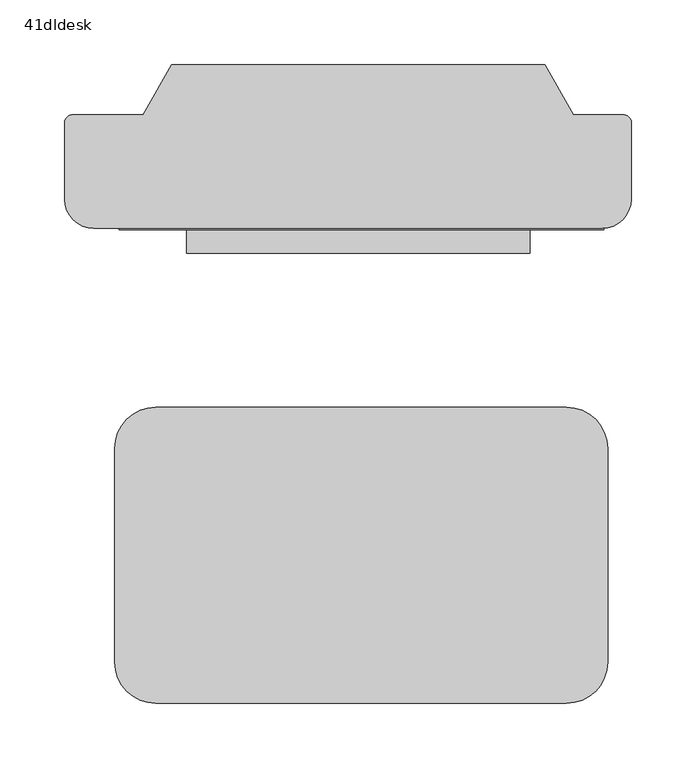
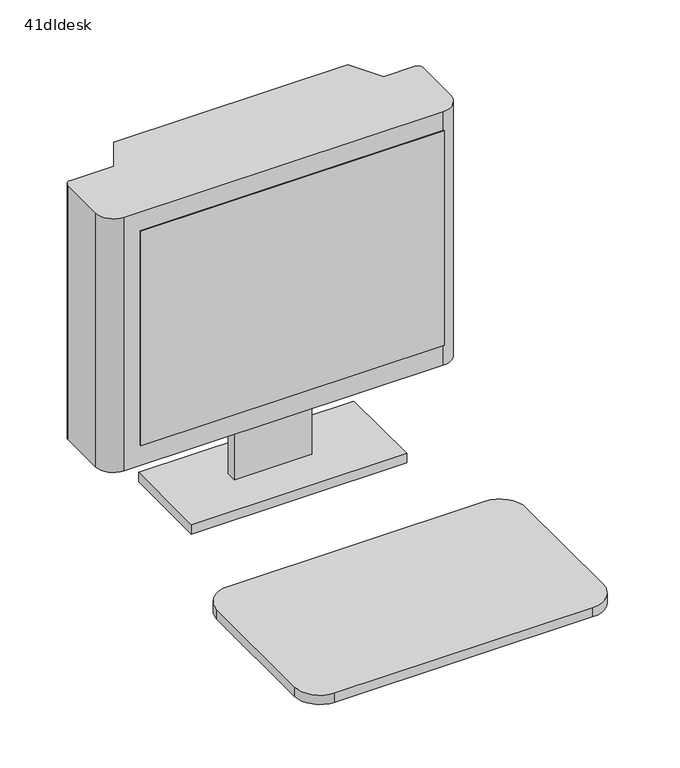
"""IFC4 building model written with IfcOpenShell, lengths in millimetres: proxy geometry, 41dldesk."""

from ifc_helpers import new_model, si_unit, point, frame, frame_2d, origin, place, context, project, spatial, polyline, circle_curve, trimmed, segment, composite_curve, outline, extrude, source, transform, mapped, element, save


def proxy_41dldesk_f20076e4(model_context):
    return source(origin(), model_context, "Body", "SweptSolid", [
        extrude(outline(polyline([(-172.3657673, 160.0272215), (202.2842327, 160.0272215), (202.2842327, 157.9777017), (-172.3657673, 157.9777017), (-172.3657673, 160.0272215)])), frame((0.0, 0.0, 1037.0308248), z_axis=(0.0, 0.0, 1.0), x_axis=(1.0, 0.0, 0.0)), (0.0, 0.0, 1.0), 279.4),
        extrude(outline(composite_curve([segment(trimmed(circle_curve(frame_2d((173.5539751, -10.930107)), 31.75), [point((173.5539751, 20.819893))], [point((205.3039751, -10.930107))], False, "CARTESIAN"), True, "CONTINUOUS"), segment(polyline([(205.3039751, -10.930107), (205.3039751, -176.030107)]), True, "CONTINUOUS"), segment(trimmed(circle_curve(frame_2d((173.5539751, -176.030107)), 31.75), [point((205.3039751, -176.030107))], [point((173.5539751, -207.780107))], False, "CARTESIAN"), True, "CONTINUOUS"), segment(polyline([(173.5539751, -207.780107), (-143.9460249, -207.780107)]), True, "CONTINUOUS"), segment(trimmed(circle_curve(frame_2d((-143.9460249, -176.030107)), 31.75), [point((-143.9460249, -207.780107))], [point((-175.6960249, -176.030107))], False, "CARTESIAN"), True, "CONTINUOUS"), segment(polyline([(-175.6960249, -176.030107), (-175.6960249, -10.930107)]), True, "CONTINUOUS"), segment(trimmed(circle_curve(frame_2d((-143.9460249, -10.930107)), 31.75), [point((-175.6960249, -10.930107))], [point((-143.9460249, 20.819893))], False, "CARTESIAN"), True, "CONTINUOUS"), segment(polyline([(-143.9460249, 20.819893), (173.5539751, 20.819893)]), True, "CONTINUOUS")], self_intersect=False)), frame((0.0, 0.0, 914.4), z_axis=(0.0, 0.0, 1.0), x_axis=(1.0, 0.0, 0.0)), (0.0, 0.0, 1.0), 12.2153731),
        extrude(outline(polyline([(145.2899902, 140.0041477), (-120.2820275, 140.0041477), (-120.2820275, 252.4702648), (145.2899902, 252.4702648), (145.2899902, 140.0041477)])), frame((0.0, 0.0, 914.4), z_axis=(0.0, 0.0, 1.0), x_axis=(1.0, 0.0, 0.0)), (0.0, 0.0, 1.0), 12.2153731),
        extrude(outline(polyline([(56.3899902, 188.9890936), (-38.8600098, 188.9890936), (-38.8600098, 201.6702648), (56.3899902, 201.6702648), (56.3899902, 188.9890936)])), frame((0.0, 0.0, 926.6153731), z_axis=(0.0, 0.0, 1.0), x_axis=(1.0, 0.0, 0.0)), (0.0, 0.0, 1.0), 83.6809533),
        extrude(outline(composite_curve([segment(polyline([(201.1202459, 159.0541477), (-191.961212, 159.0541477)]), True, "CONTINUOUS"), segment(trimmed(circle_curve(frame_2d((-191.961212, 181.504788)), 22.4506403), [point((-191.961212, 159.0541477))], [point((-214.4118523, 181.504788))], False, "CARTESIAN"), True, "CONTINUOUS"), segment(polyline([(-214.4118523, 181.504788), (-214.4118523, 240.3341477)]), True, "CONTINUOUS"), segment(trimmed(circle_curve(frame_2d((-207.8197541, 240.3341477)), 6.5920981), [point((-214.4118523, 240.3341477))], [point((-207.8197541, 246.9262458))], False, "CARTESIAN"), True, "CONTINUOUS"), segment(polyline([(-207.8197541, 246.9262458), (-153.861212, 246.9262458), (-131.636212, 285.421075), (156.653788, 285.421075), (178.878788, 246.9262458), (216.978788, 246.9262458)]), True, "CONTINUOUS"), segment(trimmed(circle_curve(frame_2d((216.978788, 240.3341477)), 6.5920981), [point((216.978788, 246.9262458))], [point((223.5708862, 240.3341477))], False, "CARTESIAN"), True, "CONTINUOUS"), segment(polyline([(223.5708862, 240.3341477), (223.5708862, 181.504788)]), True, "CONTINUOUS"), segment(trimmed(circle_curve(frame_2d((201.1202459, 181.504788)), 22.4506403), [point((223.5708862, 181.504788))], [point((201.1202459, 159.0541477))], False, "CARTESIAN"), True, "CONTINUOUS")], self_intersect=False)), frame((0.0, 0.0, 1010.2963264), z_axis=(0.0, 0.0, 1.0), x_axis=(1.0, 0.0, 0.0)), (0.0, 0.0, 1.0), 330.8236736),
    ])


if __name__ == "__main__":
    model = new_model("IFC4")
    model_context = context("Model", 3, world=origin())
    ifc_project = project(units=[si_unit("LENGTHUNIT", "METRE", prefix="MILLI")], contexts=[model_context])
    site = spatial("IfcSite", under=ifc_project)
    building = spatial("IfcBuilding", under=site)
    placement = place(None, origin())
    proxy_41dldesk_shape = proxy_41dldesk_f20076e4(model_context)
    element("IfcBuildingElementProxy", 1, Name="41dldesk", ObjectType="41dldesk", at=placement, inside=building, context=model_context, shape_type="MappedRepresentation", body=[
        mapped(proxy_41dldesk_shape, transform((0.0, 0.0, 0.0), x_axis=(1.0, 0.0, 0.0), y_axis=(0.0, 1.0, 0.0), z_axis=(0.0, 0.0, 1.0))),
    ])
    save(model, "model.ifc")
